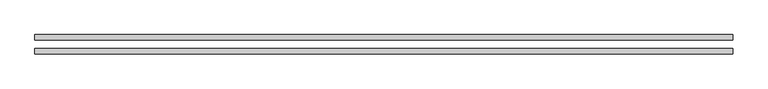
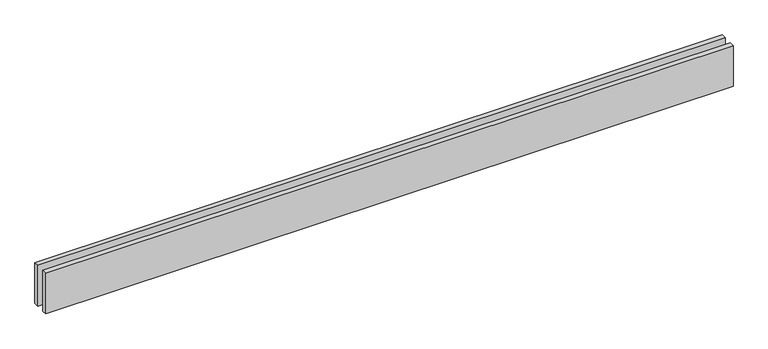
"""IFC4 building model written with IfcOpenShell, lengths in millimetres: proxy geometry."""

from ifc_helpers import new_model, si_unit, origin, origin_with_axes, place, context, project, spatial, polyline, outline, extrude, source, transform, mapped, element, save


def generic_models_43e68b97(model_context):
    return source(origin(), model_context, "Body", "SweptSolid", [
        extrude(outline(polyline([(4000.0, 25.0), (0.0, 25.0), (0.0, 55.0), (4000.0, 55.0), (4000.0, 25.0)])), origin_with_axes(), (0.0, 0.0, 1.0), 250.0),
        extrude(outline(polyline([(4000.0, -55.0), (0.0, -55.0), (0.0, -25.0), (4000.0, -25.0), (4000.0, -55.0)])), origin_with_axes(), (0.0, 0.0, 1.0), 250.0),
    ])


if __name__ == "__main__":
    model = new_model("IFC4")
    model_context = context("Model", 3, world=origin())
    ifc_project = project(units=[si_unit("LENGTHUNIT", "METRE", prefix="MILLI")], contexts=[model_context])
    site = spatial("IfcSite", under=ifc_project)
    building = spatial("IfcBuilding", under=site)
    placement = place(None, origin())
    generic_models_shape = generic_models_43e68b97(model_context)
    element("IfcBuildingElementProxy", 1, Name="Generic Models", at=placement, inside=building, context=model_context, shape_type="MappedRepresentation", body=[
        mapped(generic_models_shape, transform((0.0, 0.0, 0.0), x_axis=(1.0, 0.0, 0.0), y_axis=(0.0, 1.0, 0.0), z_axis=(0.0, 0.0, 1.0))),
    ])
    save(model, "model.ifc")
